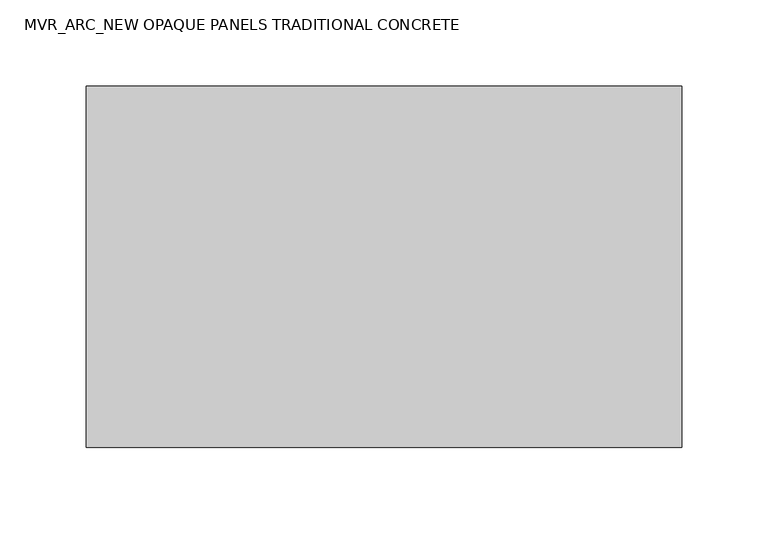
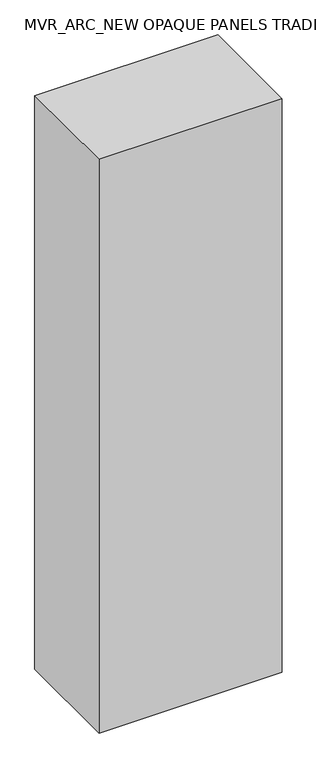
"""IFC4 building model written with IfcOpenShell, lengths in millimetres: plate geometry, MVR_ARC_NEW OPAQUE PANELS TRADITIONAL CONCRETE."""

from ifc_helpers import new_model, si_unit, origin, origin_with_axes, place, context, project, spatial, polyline, outline, extrude, source, transform, mapped, element, save


def mvr_arc_new_opaque_panels_traditional_concrete_9fe4e8cd(model_context):
    return source(origin(), model_context, "Body", "SweptSolid", [
        extrude(outline(polyline([(173.0, -150.0), (-173.0, -150.0), (-173.0, 60.0), (173.0, 60.0), (173.0, -150.0)])), origin_with_axes(), (0.0, 0.0, 1.0), 1145.6000001),
    ])


if __name__ == "__main__":
    model = new_model("IFC4")
    model_context = context("Model", 3, world=origin())
    ifc_project = project(units=[si_unit("LENGTHUNIT", "METRE", prefix="MILLI")], contexts=[model_context])
    site = spatial("IfcSite", under=ifc_project)
    building = spatial("IfcBuilding", under=site)
    placement = place(None, origin())
    mvr_arc_new_opaque_panels_traditional_concrete_shape = mvr_arc_new_opaque_panels_traditional_concrete_9fe4e8cd(model_context)
    element("IfcPlate", 1, ObjectType="MVR_ARC_NEW OPAQUE PANELS TRADITIONAL CONCRETE", at=placement, inside=building, context=model_context, shape_type="MappedRepresentation", body=[
        mapped(mvr_arc_new_opaque_panels_traditional_concrete_shape, transform((0.0, 0.0, 0.0), x_axis=(1.0, 0.0, 0.0), y_axis=(0.0, 1.0, 0.0), z_axis=(0.0, 0.0, 1.0))),
    ])
    save(model, "model.ifc")
